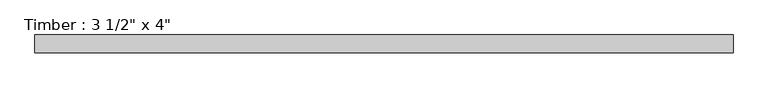
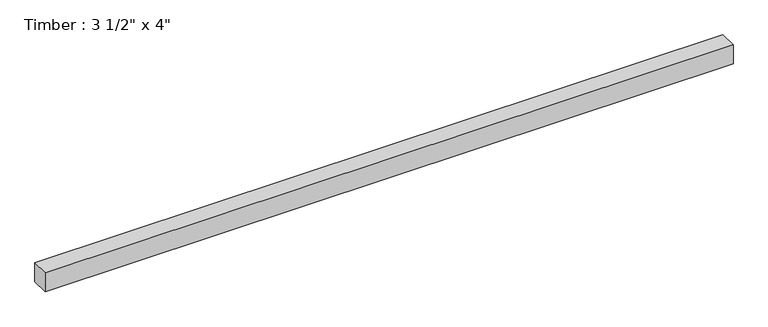
"""IFC4 building model written with IfcOpenShell, lengths in millimetres: beam geometry."""

from ifc_helpers import new_model, si_unit, frame, origin, place, context, project, spatial, polyline, outline, extrude, source, transform, mapped, element, save


def beam_8cf68268(model_context):
    return source(origin(), model_context, "Body", "SweptSolid", [
        extrude(outline(polyline([(1745.4023924, -44.45), (-1745.4023924, -44.45), (-1745.4023924, 44.45), (1745.4023924, 44.45), (1745.4023924, -44.45)])), frame((0.0, 0.0, -50.8), z_axis=(0.0, 0.0, 1.0), x_axis=(1.0, 0.0, 0.0)), (0.0, 0.0, 1.0), 101.6),
    ])


if __name__ == "__main__":
    model = new_model("IFC4")
    model_context = context("Model", 3, world=origin())
    ifc_project = project(units=[si_unit("LENGTHUNIT", "METRE", prefix="MILLI")], contexts=[model_context])
    site = spatial("IfcSite", under=ifc_project)
    building = spatial("IfcBuilding", under=site)
    placement = place(None, origin())
    beam_shape = beam_8cf68268(model_context)
    element("IfcBeam", 1, ObjectType="Timber : 3 1/2\" x 4\"", at=placement, inside=building, context=model_context, shape_type="MappedRepresentation", body=[
        mapped(beam_shape, transform((0.0, 0.0, 0.0), x_axis=(1.0, 0.0, 0.0), y_axis=(0.0, 1.0, 0.0), z_axis=(0.0, 0.0, 1.0))),
    ])
    save(model, "model.ifc")
